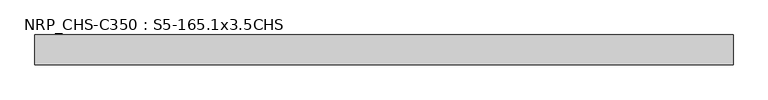
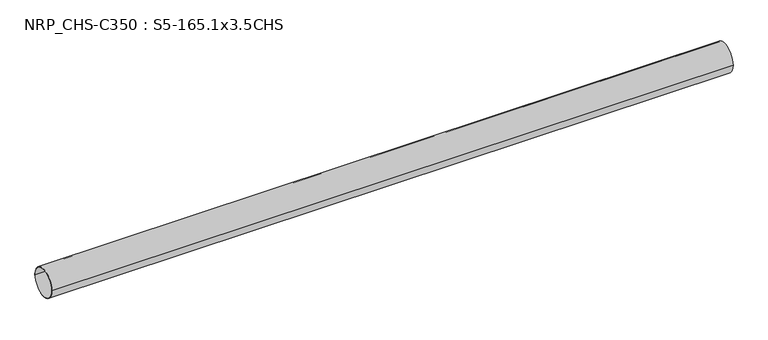
"""IFC4 building model written with IfcOpenShell, lengths in millimetres: beam geometry, NRP_CHS-C350 : S5-165.1x3.5CHS."""

import ifcopenshell
import ifcopenshell.guid

model = None  # the IFC model being written
_history = None  # IfcOwnerHistory: only IFC2X3 demands one
_inside = {}  # id of a spatial element -> (the spatial element, [elements in it])
_under = {}  # id of a project, library or spatial element -> (it, [spatial elements below it])
_declared = {}  # id of a project -> (the project, [libraries it declares])
_typed = {}  # id of a type object -> (the type object, [elements of that type])
_made_of = {}  # id of a material, layer set ... -> (it, [elements and type objects made of it])


def new_model(schema):
    """Start an empty IFC model of exactly this schema.

    Asked for "IFC4X3", IfcOpenShell would pick the latest addendum, in which some entities
    have other attributes; the version numbers below select the first issue.
    IFC2X3 requires an IfcOwnerHistory on every rooted entity: one is made here for all.
    """
    global model, _history
    if schema == "IFC4X3":
        model = ifcopenshell.file(schema_version=(4, 3, 0, 0))
    else:
        model = ifcopenshell.file(schema=schema)
    _inside.clear()
    _under.clear()
    _declared.clear()
    _typed.clear()
    _made_of.clear()
    _history = None
    if model.schema == "IFC2X3":
        org = make("IfcOrganization", Name="unknown")
        user = make(
            "IfcPersonAndOrganization",
            ThePerson=make("IfcPerson", FamilyName="unknown"),
            TheOrganization=org,
        )
        app = make(
            "IfcApplication",
            ApplicationDeveloper=org,
            Version="unknown",
            ApplicationFullName="unknown",
            ApplicationIdentifier="unknown",
        )
        _history = make(
            "IfcOwnerHistory",
            OwningUser=user,
            OwningApplication=app,
            ChangeAction="ADDED",
            CreationDate=0,
        )
    return model


def make(cls, **values):
    """One entity of the class cls with the attributes given. An attribute that is None is left unset."""
    return model.create_entity(
        cls, **{name: value for name, value in values.items() if value is not None}
    )


def rooted(cls, **values):
    """An entity with a GlobalId (a new one), such as an element, a storey or a relation."""
    return make(cls, GlobalId=ifcopenshell.guid.new(), OwnerHistory=_history, **values)


def si_unit(unit_type, name, prefix=None):
    """IfcSIUnit, for example si_unit("LENGTHUNIT", "METRE", prefix="MILLI")."""
    return make("IfcSIUnit", UnitType=unit_type, Prefix=prefix, Name=name)


def assignment(units):
    """IfcUnitAssignment: the units of a project."""
    return None if units is None else make("IfcUnitAssignment", Units=units)


def point(xyz):
    """IfcCartesianPoint."""
    return None if xyz is None else make("IfcCartesianPoint", Coordinates=xyz)


def direction(xyz):
    """IfcDirection."""
    return None if xyz is None else make("IfcDirection", DirectionRatios=xyz)


def frame(location, z_axis=None, x_axis=None):
    """IfcAxis2Placement3D, a coordinate frame: its origin and axes. An axis left out is left unset."""
    return make(
        "IfcAxis2Placement3D",
        Location=point(location),
        Axis=direction(z_axis),
        RefDirection=direction(x_axis),
    )


def frame_2d(location, x_axis=None):
    """IfcAxis2Placement2D, a coordinate frame in the plane: its origin and x axis."""
    return make(
        "IfcAxis2Placement2D", Location=point(location), RefDirection=direction(x_axis)
    )


def origin():
    """The frame at (0, 0, 0) with its axes left unset."""
    return frame((0.0, 0.0, 0.0))


def origin_2d():
    """The frame at (0, 0) in the plane with its x axis left unset."""
    return frame_2d((0.0, 0.0))


def place(relative_to, where):
    """IfcLocalPlacement: puts the frame where relative to a parent placement (None: the world)."""
    return make(
        "IfcLocalPlacement", PlacementRelTo=relative_to, RelativePlacement=where
    )


def context(
    kind, dimensions, precision=None, world=None, true_north=None, identifier=None
):
    """IfcGeometricRepresentationContext, for example the 3D "Model" context."""
    return make(
        "IfcGeometricRepresentationContext",
        ContextIdentifier=identifier,
        ContextType=kind,
        CoordinateSpaceDimension=dimensions,
        Precision=precision,
        WorldCoordinateSystem=world,
        TrueNorth=true_north,
    )


def project(units=None, contexts=None):
    """IfcProject with its units and contexts."""
    return rooted(
        "IfcProject",
        Name="project",
        RepresentationContexts=contexts,
        UnitsInContext=assignment(units),
    )


def spatial(cls, under=None, at=None, **own):
    """A site, building, storey or space (cls), placed at a placement, below another one or the project."""
    s = rooted(cls, ObjectPlacement=at, **own)
    if under is not None:
        _under.setdefault(under.id(), (under, []))[1].append(s)
    return s


def circle_curve(where, radius):
    """IfcCircle in the frame where."""
    return make("IfcCircle", Position=where, Radius=radius)


def trimmed(basis, trim1, trim2, sense, master):
    """IfcTrimmedCurve: the piece of a basis curve between two trims."""
    return make(
        "IfcTrimmedCurve",
        BasisCurve=basis,
        Trim1=trim1,
        Trim2=trim2,
        SenseAgreement=sense,
        MasterRepresentation=master,
    )


def segment(curve, same_sense, transition):
    """IfcCompositeCurveSegment."""
    return make(
        "IfcCompositeCurveSegment",
        Transition=transition,
        SameSense=same_sense,
        ParentCurve=curve,
    )


def composite_curve(segments, self_intersect=None):
    """IfcCompositeCurve: segments joined end to end."""
    return make("IfcCompositeCurve", Segments=segments, SelfIntersect=self_intersect)


def outline(outer, holes=None, kind="AREA"):
    """IfcArbitraryClosedProfileDef: a profile drawn as a closed curve; with holes, ...WithVoids."""
    if holes is None:
        return make("IfcArbitraryClosedProfileDef", ProfileType=kind, OuterCurve=outer)
    return make(
        "IfcArbitraryProfileDefWithVoids",
        ProfileType=kind,
        OuterCurve=outer,
        InnerCurves=holes,
    )


def extrude(swept, where, along, depth):
    """IfcExtrudedAreaSolid: the profile swept, set in the frame where, extruded along a direction by depth."""
    return make(
        "IfcExtrudedAreaSolid",
        SweptArea=swept,
        Position=where,
        ExtrudedDirection=direction(along),
        Depth=depth,
    )


def shape(context_of_items, identifier, shape_type, items):
    """IfcShapeRepresentation: the items that make up one representation, for example the "Body"."""
    return make(
        "IfcShapeRepresentation",
        ContextOfItems=context_of_items,
        RepresentationIdentifier=identifier,
        RepresentationType=shape_type,
        Items=items,
    )


def source(mapping_origin, context_of_items, identifier, shape_type, items):
    """IfcRepresentationMap: a shape defined once, which mapped items show again and again."""
    return make(
        "IfcRepresentationMap",
        MappingOrigin=mapping_origin,
        MappedRepresentation=shape(context_of_items, identifier, shape_type, items),
    )


def transform(
    local_origin,
    x_axis=None,
    y_axis=None,
    z_axis=None,
    scale=None,
    scale2=None,
    scale3=None,
    uniform=True,
):
    """IfcCartesianTransformationOperator3D, or its non-uniform kind. x_axis, y_axis, z_axis: its Axis1, 2, 3."""
    if uniform:
        return make(
            "IfcCartesianTransformationOperator3D",
            Axis1=direction(x_axis),
            Axis2=direction(y_axis),
            LocalOrigin=point(local_origin),
            Scale=scale,
            Axis3=direction(z_axis),
        )
    return make(
        "IfcCartesianTransformationOperator3DnonUniform",
        Axis1=direction(x_axis),
        Axis2=direction(y_axis),
        LocalOrigin=point(local_origin),
        Scale=scale,
        Axis3=direction(z_axis),
        Scale2=scale2,
        Scale3=scale3,
    )


def mapped(mapping_source, mapping_target):
    """IfcMappedItem: shows the shape of a source again, moved by a transform."""
    return make(
        "IfcMappedItem", MappingSource=mapping_source, MappingTarget=mapping_target
    )


def made_of(thing, what):
    """Note that an element or type object is made of a material, layer set ...; save() writes the relation."""
    if what is not None:
        _made_of.setdefault(what.id(), (what, []))[1].append(thing)
    return thing


def element(
    cls,
    number,
    at=None,
    inside=None,
    cuts=None,
    type_object=None,
    material=None,
    context=None,
    identifier="Body",
    shape_type=None,
    held_by="IfcProductDefinitionShape",
    body=None,
    shapes=None,
    **own,
):
    """One element of the class cls, such as IfcWall. Its Tag is "e" and its number.

    at: its placement. inside: the storey or other place that contains it. cuts: it is an
    opening in that element (IfcRelVoidsElement). A single representation is given by context,
    identifier, shape_type and body (its items); several are given by shapes. held_by: the class
    of the entity that holds the representations. save() writes the other relations.
    """
    e = rooted(cls, Tag="e%d" % number, ObjectPlacement=at, **own)
    if body is not None:
        shapes = [shape(context, identifier, shape_type, body)]
    if shapes is not None:
        e.Representation = make(held_by, Representations=shapes)
    if inside is not None:
        _inside.setdefault(inside.id(), (inside, []))[1].append(e)
    if cuts is not None:
        rooted(
            "IfcRelVoidsElement", RelatingBuildingElement=cuts, RelatedOpeningElement=e
        )
    if type_object is not None:
        _typed.setdefault(type_object.id(), (type_object, []))[1].append(e)
    return made_of(e, material)


def aggregate(whole, parts):
    """IfcRelAggregates: a whole, such as a stair, and the parts it consists of."""
    return rooted("IfcRelAggregates", RelatingObject=whole, RelatedObjects=parts)


def save(model, path):
    """Write the relations noted so far, then the file.

    IfcRelAggregates (storeys below a building ...), IfcRelContainedInSpatialStructure (elements
    in a storey), IfcRelDefinesByType, IfcRelAssociatesMaterial and IfcRelDeclares: one each for
    every whole, place, type object, material and project.
    """
    for whole, parts in _under.values():
        aggregate(whole, parts)
    for where, things in _inside.values():
        rooted(
            "IfcRelContainedInSpatialStructure",
            RelatedElements=things,
            RelatingStructure=where,
        )
    for kind, things in _typed.values():
        rooted("IfcRelDefinesByType", RelatedObjects=things, RelatingType=kind)
    for what, things in _made_of.values():
        rooted("IfcRelAssociatesMaterial", RelatedObjects=things, RelatingMaterial=what)
    for by, libraries in _declared.values():
        rooted("IfcRelDeclares", RelatingContext=by, RelatedDefinitions=libraries)
    model.write(path)


def nrp_chs_c350_s5_165_1x3_5chs_b29b123c(model_context):
    return source(origin(), model_context, "Body", "SweptSolid", [
        extrude(outline(composite_curve([segment(trimmed(circle_curve(origin_2d(), 82.55), [point((-82.55, 0.0))], [point((82.55, 0.0))], False, "CARTESIAN"), True, "CONTINUOUS"), segment(trimmed(circle_curve(origin_2d(), 82.55), [point((82.55, 0.0))], [point((-82.55, 0.0))], False, "CARTESIAN"), True, "CONTINUOUS")], self_intersect=False), holes=[composite_curve([segment(trimmed(circle_curve(origin_2d(), 79.05), [point((79.05, 0.0))], [point((-79.05, 0.0))], True, "CARTESIAN"), True, "CONTINUOUS"), segment(trimmed(circle_curve(origin_2d(), 79.05), [point((-79.05, 0.0))], [point((79.05, 0.0))], True, "CARTESIAN"), True, "CONTINUOUS")], self_intersect=False)]), frame((-1871.4, 0.0, 0.0), z_axis=(1.0, 0.0, 0.0), x_axis=(0.0, 1.0, 0.0)), (0.0, 0.0, 1.0), 3856.7),
    ])


if __name__ == "__main__":
    model = new_model("IFC4")
    model_context = context("Model", 3, world=origin())
    ifc_project = project(units=[si_unit("LENGTHUNIT", "METRE", prefix="MILLI")], contexts=[model_context])
    site = spatial("IfcSite", under=ifc_project)
    building = spatial("IfcBuilding", under=site)
    placement = place(None, origin())
    nrp_chs_c350_s5_165_1x3_5chs_shape = nrp_chs_c350_s5_165_1x3_5chs_b29b123c(model_context)
    element("IfcBeam", 1, ObjectType="NRP_CHS-C350 : S5-165.1x3.5CHS", at=placement, inside=building, context=model_context, shape_type="MappedRepresentation", body=[
        mapped(nrp_chs_c350_s5_165_1x3_5chs_shape, transform((0.0, 0.0, 0.0), x_axis=(1.0, 0.0, 0.0), y_axis=(0.0, 1.0, 0.0), z_axis=(0.0, 0.0, 1.0))),
    ])
    save(model, "model.ifc")
